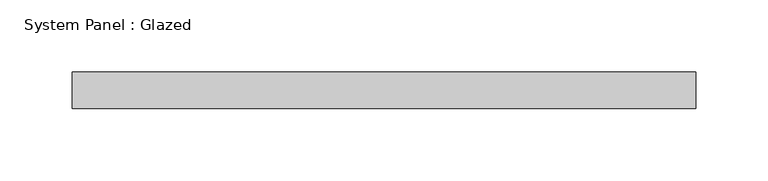
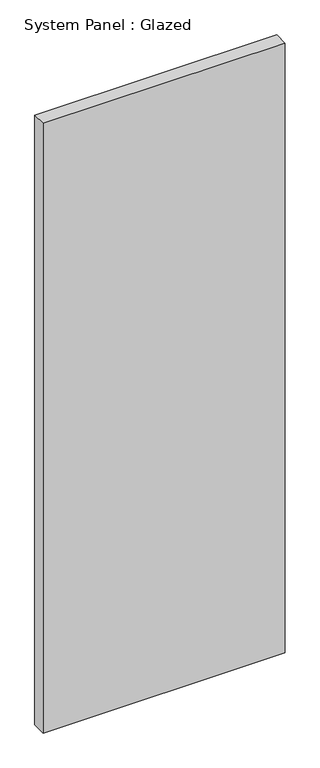
"""IFC4 building model written with IfcOpenShell, lengths in millimetres: plate geometry, System Panel : Glazed."""

import ifcopenshell
import ifcopenshell.guid

model = None  # the IFC model being written
_history = None  # IfcOwnerHistory: only IFC2X3 demands one
_inside = {}  # id of a spatial element -> (the spatial element, [elements in it])
_under = {}  # id of a project, library or spatial element -> (it, [spatial elements below it])
_declared = {}  # id of a project -> (the project, [libraries it declares])
_typed = {}  # id of a type object -> (the type object, [elements of that type])
_made_of = {}  # id of a material, layer set ... -> (it, [elements and type objects made of it])


def new_model(schema):
    """Start an empty IFC model of exactly this schema.

    Asked for "IFC4X3", IfcOpenShell would pick the latest addendum, in which some entities
    have other attributes; the version numbers below select the first issue.
    IFC2X3 requires an IfcOwnerHistory on every rooted entity: one is made here for all.
    """
    global model, _history
    if schema == "IFC4X3":
        model = ifcopenshell.file(schema_version=(4, 3, 0, 0))
    else:
        model = ifcopenshell.file(schema=schema)
    _inside.clear()
    _under.clear()
    _declared.clear()
    _typed.clear()
    _made_of.clear()
    _history = None
    if model.schema == "IFC2X3":
        org = make("IfcOrganization", Name="unknown")
        user = make(
            "IfcPersonAndOrganization",
            ThePerson=make("IfcPerson", FamilyName="unknown"),
            TheOrganization=org,
        )
        app = make(
            "IfcApplication",
            ApplicationDeveloper=org,
            Version="unknown",
            ApplicationFullName="unknown",
            ApplicationIdentifier="unknown",
        )
        _history = make(
            "IfcOwnerHistory",
            OwningUser=user,
            OwningApplication=app,
            ChangeAction="ADDED",
            CreationDate=0,
        )
    return model


def make(cls, **values):
    """One entity of the class cls with the attributes given. An attribute that is None is left unset."""
    return model.create_entity(
        cls, **{name: value for name, value in values.items() if value is not None}
    )


def rooted(cls, **values):
    """An entity with a GlobalId (a new one), such as an element, a storey or a relation."""
    return make(cls, GlobalId=ifcopenshell.guid.new(), OwnerHistory=_history, **values)


def si_unit(unit_type, name, prefix=None):
    """IfcSIUnit, for example si_unit("LENGTHUNIT", "METRE", prefix="MILLI")."""
    return make("IfcSIUnit", UnitType=unit_type, Prefix=prefix, Name=name)


def assignment(units):
    """IfcUnitAssignment: the units of a project."""
    return None if units is None else make("IfcUnitAssignment", Units=units)


def point(xyz):
    """IfcCartesianPoint."""
    return None if xyz is None else make("IfcCartesianPoint", Coordinates=xyz)


def direction(xyz):
    """IfcDirection."""
    return None if xyz is None else make("IfcDirection", DirectionRatios=xyz)


def frame(location, z_axis=None, x_axis=None):
    """IfcAxis2Placement3D, a coordinate frame: its origin and axes. An axis left out is left unset."""
    return make(
        "IfcAxis2Placement3D",
        Location=point(location),
        Axis=direction(z_axis),
        RefDirection=direction(x_axis),
    )


def origin():
    """The frame at (0, 0, 0) with its axes left unset."""
    return frame((0.0, 0.0, 0.0))


def origin_with_axes():
    """The frame at (0, 0, 0) with the z axis (0, 0, 1) and the x axis (1, 0, 0) written out."""
    return frame((0.0, 0.0, 0.0), z_axis=(0.0, 0.0, 1.0), x_axis=(1.0, 0.0, 0.0))


def place(relative_to, where):
    """IfcLocalPlacement: puts the frame where relative to a parent placement (None: the world)."""
    return make(
        "IfcLocalPlacement", PlacementRelTo=relative_to, RelativePlacement=where
    )


def context(
    kind, dimensions, precision=None, world=None, true_north=None, identifier=None
):
    """IfcGeometricRepresentationContext, for example the 3D "Model" context."""
    return make(
        "IfcGeometricRepresentationContext",
        ContextIdentifier=identifier,
        ContextType=kind,
        CoordinateSpaceDimension=dimensions,
        Precision=precision,
        WorldCoordinateSystem=world,
        TrueNorth=true_north,
    )


def project(units=None, contexts=None):
    """IfcProject with its units and contexts."""
    return rooted(
        "IfcProject",
        Name="project",
        RepresentationContexts=contexts,
        UnitsInContext=assignment(units),
    )


def spatial(cls, under=None, at=None, **own):
    """A site, building, storey or space (cls), placed at a placement, below another one or the project."""
    s = rooted(cls, ObjectPlacement=at, **own)
    if under is not None:
        _under.setdefault(under.id(), (under, []))[1].append(s)
    return s


def polyline(points):
    """IfcPolyline through the points."""
    return make("IfcPolyline", Points=[point(p) for p in points])


def outline(outer, holes=None, kind="AREA"):
    """IfcArbitraryClosedProfileDef: a profile drawn as a closed curve; with holes, ...WithVoids."""
    if holes is None:
        return make("IfcArbitraryClosedProfileDef", ProfileType=kind, OuterCurve=outer)
    return make(
        "IfcArbitraryProfileDefWithVoids",
        ProfileType=kind,
        OuterCurve=outer,
        InnerCurves=holes,
    )


def extrude(swept, where, along, depth):
    """IfcExtrudedAreaSolid: the profile swept, set in the frame where, extruded along a direction by depth."""
    return make(
        "IfcExtrudedAreaSolid",
        SweptArea=swept,
        Position=where,
        ExtrudedDirection=direction(along),
        Depth=depth,
    )


def shape(context_of_items, identifier, shape_type, items):
    """IfcShapeRepresentation: the items that make up one representation, for example the "Body"."""
    return make(
        "IfcShapeRepresentation",
        ContextOfItems=context_of_items,
        RepresentationIdentifier=identifier,
        RepresentationType=shape_type,
        Items=items,
    )


def source(mapping_origin, context_of_items, identifier, shape_type, items):
    """IfcRepresentationMap: a shape defined once, which mapped items show again and again."""
    return make(
        "IfcRepresentationMap",
        MappingOrigin=mapping_origin,
        MappedRepresentation=shape(context_of_items, identifier, shape_type, items),
    )


def transform(
    local_origin,
    x_axis=None,
    y_axis=None,
    z_axis=None,
    scale=None,
    scale2=None,
    scale3=None,
    uniform=True,
):
    """IfcCartesianTransformationOperator3D, or its non-uniform kind. x_axis, y_axis, z_axis: its Axis1, 2, 3."""
    if uniform:
        return make(
            "IfcCartesianTransformationOperator3D",
            Axis1=direction(x_axis),
            Axis2=direction(y_axis),
            LocalOrigin=point(local_origin),
            Scale=scale,
            Axis3=direction(z_axis),
        )
    return make(
        "IfcCartesianTransformationOperator3DnonUniform",
        Axis1=direction(x_axis),
        Axis2=direction(y_axis),
        LocalOrigin=point(local_origin),
        Scale=scale,
        Axis3=direction(z_axis),
        Scale2=scale2,
        Scale3=scale3,
    )


def mapped(mapping_source, mapping_target):
    """IfcMappedItem: shows the shape of a source again, moved by a transform."""
    return make(
        "IfcMappedItem", MappingSource=mapping_source, MappingTarget=mapping_target
    )


def made_of(thing, what):
    """Note that an element or type object is made of a material, layer set ...; save() writes the relation."""
    if what is not None:
        _made_of.setdefault(what.id(), (what, []))[1].append(thing)
    return thing


def element(
    cls,
    number,
    at=None,
    inside=None,
    cuts=None,
    type_object=None,
    material=None,
    context=None,
    identifier="Body",
    shape_type=None,
    held_by="IfcProductDefinitionShape",
    body=None,
    shapes=None,
    **own,
):
    """One element of the class cls, such as IfcWall. Its Tag is "e" and its number.

    at: its placement. inside: the storey or other place that contains it. cuts: it is an
    opening in that element (IfcRelVoidsElement). A single representation is given by context,
    identifier, shape_type and body (its items); several are given by shapes. held_by: the class
    of the entity that holds the representations. save() writes the other relations.
    """
    e = rooted(cls, Tag="e%d" % number, ObjectPlacement=at, **own)
    if body is not None:
        shapes = [shape(context, identifier, shape_type, body)]
    if shapes is not None:
        e.Representation = make(held_by, Representations=shapes)
    if inside is not None:
        _inside.setdefault(inside.id(), (inside, []))[1].append(e)
    if cuts is not None:
        rooted(
            "IfcRelVoidsElement", RelatingBuildingElement=cuts, RelatedOpeningElement=e
        )
    if type_object is not None:
        _typed.setdefault(type_object.id(), (type_object, []))[1].append(e)
    return made_of(e, material)


def aggregate(whole, parts):
    """IfcRelAggregates: a whole, such as a stair, and the parts it consists of."""
    return rooted("IfcRelAggregates", RelatingObject=whole, RelatedObjects=parts)


def save(model, path):
    """Write the relations noted so far, then the file.

    IfcRelAggregates (storeys below a building ...), IfcRelContainedInSpatialStructure (elements
    in a storey), IfcRelDefinesByType, IfcRelAssociatesMaterial and IfcRelDeclares: one each for
    every whole, place, type object, material and project.
    """
    for whole, parts in _under.values():
        aggregate(whole, parts)
    for where, things in _inside.values():
        rooted(
            "IfcRelContainedInSpatialStructure",
            RelatedElements=things,
            RelatingStructure=where,
        )
    for kind, things in _typed.values():
        rooted("IfcRelDefinesByType", RelatedObjects=things, RelatingType=kind)
    for what, things in _made_of.values():
        rooted("IfcRelAssociatesMaterial", RelatedObjects=things, RelatingMaterial=what)
    for by, libraries in _declared.values():
        rooted("IfcRelDeclares", RelatingContext=by, RelatedDefinitions=libraries)
    model.write(path)


def system_panel_glazed_f4a3f76b(model_context):
    return source(origin(), model_context, "Body", "SweptSolid", [
        extrude(outline(polyline([(215.9, -12.7), (-215.9, -12.7), (-215.9, 12.7), (215.9, 12.7), (215.9, -12.7)])), origin_with_axes(), (0.0, 0.0, 1.0), 1149.35),
    ])


if __name__ == "__main__":
    model = new_model("IFC4")
    model_context = context("Model", 3, world=origin())
    ifc_project = project(units=[si_unit("LENGTHUNIT", "METRE", prefix="MILLI")], contexts=[model_context])
    site = spatial("IfcSite", under=ifc_project)
    building = spatial("IfcBuilding", under=site)
    placement = place(None, origin())
    system_panel_glazed_shape = system_panel_glazed_f4a3f76b(model_context)
    element("IfcPlate", 1, ObjectType="System Panel : Glazed", at=placement, inside=building, context=model_context, shape_type="MappedRepresentation", body=[
        mapped(system_panel_glazed_shape, transform((0.0, 0.0, 0.0), x_axis=(1.0, 0.0, 0.0), y_axis=(0.0, 1.0, 0.0), z_axis=(0.0, 0.0, 1.0))),
    ])
    save(model, "model.ifc")
